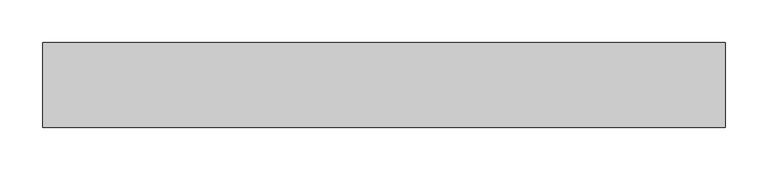
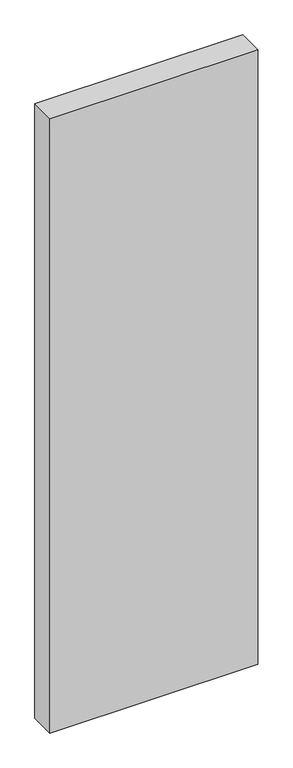
"""IFC4 building model written with IfcOpenShell, lengths in millimetres: proxy geometry."""

from ifc_helpers import new_model, si_unit, frame, origin, place, context, project, spatial, polyline, outline, extrude, source, transform, mapped, element, save


def generic_models_8ec44b64(model_context):
    return source(origin(), model_context, "Body", "SweptSolid", [
        extrude(outline(polyline([(800.0, 100.0), (800.0, 0.0), (0.0, 0.0), (0.0, 100.0), (800.0, 100.0)])), frame((0.0, 0.0, -2500.0), z_axis=(0.0, 0.0, 1.0), x_axis=(1.0, 0.0, 0.0)), (0.0, 0.0, 1.0), 2500.0),
    ])


if __name__ == "__main__":
    model = new_model("IFC4")
    model_context = context("Model", 3, world=origin())
    ifc_project = project(units=[si_unit("LENGTHUNIT", "METRE", prefix="MILLI")], contexts=[model_context])
    site = spatial("IfcSite", under=ifc_project)
    building = spatial("IfcBuilding", under=site)
    placement = place(None, origin())
    generic_models_shape = generic_models_8ec44b64(model_context)
    element("IfcBuildingElementProxy", 1, Name="Generic Models", at=placement, inside=building, context=model_context, shape_type="MappedRepresentation", body=[
        mapped(generic_models_shape, transform((0.0, 0.0, 0.0), x_axis=(1.0, 0.0, 0.0), y_axis=(0.0, 1.0, 0.0), z_axis=(0.0, 0.0, 1.0))),
    ])
    save(model, "model.ifc")
